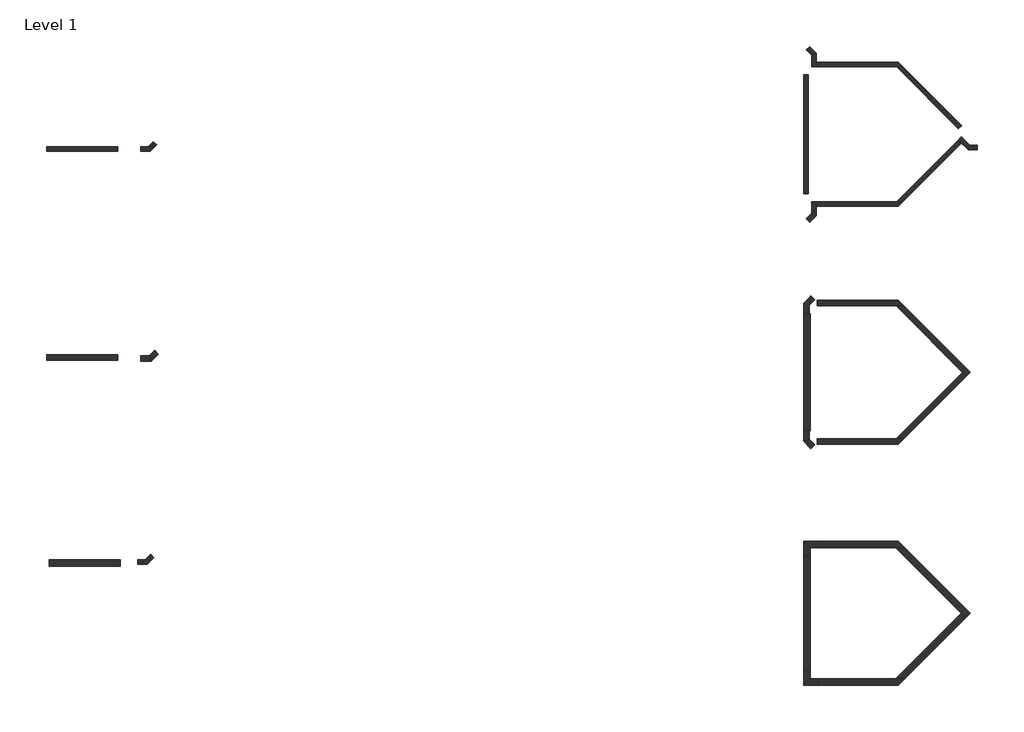
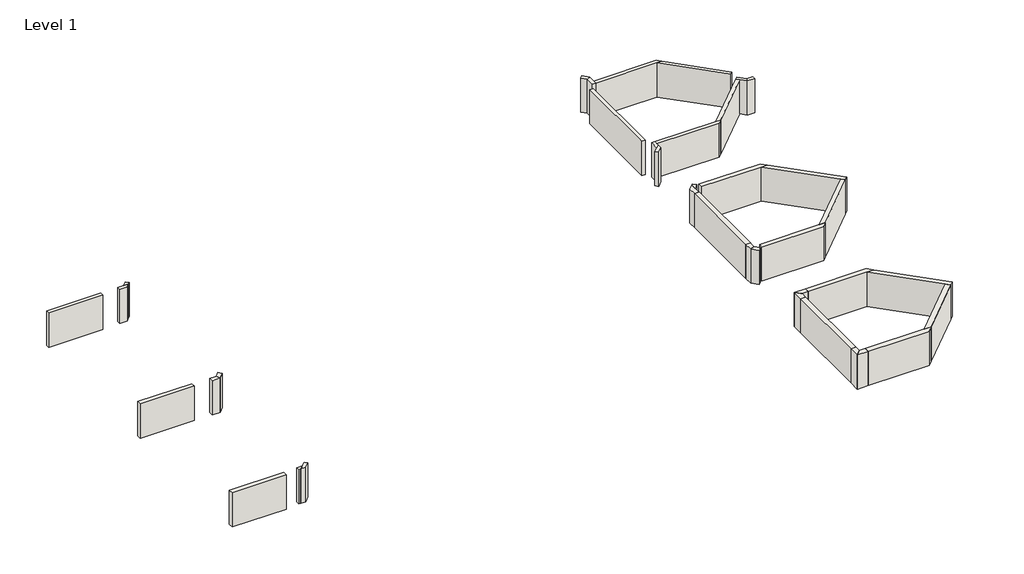
# One storey: 38 walls.
"""IFC4 building model written with IfcOpenShell, lengths in millimetres."""

from ifc_helpers import new_model, si_unit, origin, origin_with_axes, place, context, project, spatial, polyline, outline, extrude, faceted_brep, element, save

model = new_model("IFC4")

# Units and contexts
model_context = context("Model", 3, world=origin())
ifc_project = project(units=[si_unit("LENGTHUNIT", "METRE", prefix="MILLI")], contexts=[model_context])

# Site, building, storey
site = spatial("IfcSite", under=ifc_project)
building = spatial("IfcBuilding", under=site)
storey = spatial("IfcBuildingStorey", under=building, Name="Level 1", Elevation=0.0)

# Walls
placement = place(None, origin())
element("IfcWall", 1, at=placement, inside=storey, context=model_context, shape_type="Brep", body=[
    faceted_brep([(27470.1298824, 2909.1367059, 0.0), (23257.4327455, 2909.1367059, 0.0), (23257.4327455, 2909.1367059, 2438.4), (27470.1298824, 2909.1367059, 2438.4), (27698.7298824, 2680.5367059, 0.0), (27698.7298824, 2680.5367059, 2438.4), (27375.440662, 2680.5367059, 2438.4), (23259.4063902, 2680.5367059, 2438.4), (23259.4063902, 2680.5367059, 0.0), (27375.440662, 2680.5367059, 0.0)], [[[0, 1, 2, 3]], [[4, 5, 6, 7, 8, 9]], [[1, 0, 4, 9, 8]], [[3, 2, 7, 6, 5]], [[0, 3, 5, 4]], [[2, 1, 8, 7]]]),
])
element("IfcWall", 2, at=placement, inside=storey, context=model_context, shape_type="SweptSolid", body=[
    extrude(outline(polyline([(23025.5336034, 3290.277398), (22753.2788691, 3562.5321323), (22914.9234793, 3724.1767425), (23253.3175674, 3385.7826544), (23025.5336034, 3290.277398)])), origin_with_axes(), (0.0, 0.0, 1.0), 2438.4),
])
element("IfcWall", 3, at=placement, inside=storey, context=model_context, shape_type="Brep", body=[
    faceted_brep([(23025.5336034, 3290.277398, 0.0), (23030.7978705, 2680.5367059, 0.0), (23030.7978705, 2680.5367059, 2438.4), (23025.5336034, 3290.277398, 2438.4), (23253.3175674, 3385.7826544, 0.0), (23253.3175674, 3385.7826544, 2438.4), (23257.4327455, 2909.1367059, 2438.4), (23259.4063902, 2680.5367059, 2438.4), (23259.4063902, 2680.5367059, 0.0), (23257.4327455, 2909.1367059, 0.0)], [[[0, 1, 2, 3]], [[4, 5, 6, 7, 8, 9]], [[1, 0, 4, 9, 8]], [[3, 2, 7, 6, 5]], [[2, 1, 8, 7]], [[0, 3, 5, 4]]]),
])
element("IfcWall", 4, at=placement, inside=storey, context=model_context, shape_type="SweptSolid", body=[
    extrude(outline(polyline([(22618.7298824, -3821.8632941), (22618.7298824, 2274.1367059), (22847.3298824, 2274.1367059), (22847.3298824, -3821.8632941), (22618.7298824, -3821.8632941)])), origin_with_axes(), (0.0, 0.0, 1.0), 2438.4),
])
element("IfcWall", 5, at=placement, inside=storey, context=model_context, shape_type="Brep", body=[
    faceted_brep([(22914.9234793, -5271.9033307, 0.0), (23253.3175674, -4933.5092426, 0.0), (23253.3175674, -4933.5092426, 2438.4), (22914.9234793, -5271.9033307, 2438.4), (22753.2788691, -5110.2587205, 0.0), (22753.2788691, -5110.2587205, 2438.4), (23025.5336034, -4838.0039863, 2438.4), (23256.13303, -4607.4045597, 2438.4), (23256.13303, -4607.4045597, 0.0), (23025.5336034, -4838.0039863, 0.0)], [[[0, 1, 2, 3]], [[4, 5, 6, 7, 8, 9]], [[1, 0, 4, 9, 8]], [[3, 2, 7, 6, 5]], [[0, 3, 5, 4]], [[2, 1, 8, 7]]]),
])
element("IfcWall", 6, at=placement, inside=storey, context=model_context, shape_type="Brep", body=[
    faceted_brep([(23256.13303, -4607.4045597, 0.0), (23257.4327455, -4456.8632941, 0.0), (23259.4063902, -4228.2632941, 0.0), (23259.4063902, -4228.2632941, 2438.4), (23257.4327455, -4456.8632941, 2438.4), (23256.13303, -4607.4045597, 2438.4), (23025.5336034, -4838.0039863, 0.0), (23025.5336034, -4838.0039863, 2438.4), (23030.7978705, -4228.2632941, 2438.4), (23030.7978705, -4228.2632941, 0.0)], [[[0, 1, 2, 3, 4, 5]], [[6, 7, 8, 9]], [[2, 1, 0, 6, 9]], [[5, 4, 3, 8, 7]], [[3, 2, 9, 8]], [[0, 5, 7, 6]]]),
])
element("IfcWall", 7, at=placement, inside=storey, context=model_context, shape_type="Brep", body=[
    faceted_brep([(23257.4327455, -4456.8632941, 0.0), (27470.1298824, -4456.8632941, 0.0), (27470.1298824, -4456.8632941, 2438.4), (23257.4327455, -4456.8632941, 2438.4), (23259.4063902, -4228.2632941, 0.0), (23259.4063902, -4228.2632941, 2438.4), (27375.440662, -4228.2632941, 2438.4), (27698.7298824, -4228.2632941, 2438.4), (27698.7298824, -4228.2632941, 0.0), (27375.440662, -4228.2632941, 0.0)], [[[0, 1, 2, 3]], [[4, 5, 6, 7, 8, 9]], [[1, 0, 4, 9, 8]], [[3, 2, 7, 6, 5]], [[2, 1, 8, 7]], [[0, 3, 5, 4]]]),
])
element("IfcWall", 8, at=placement, inside=storey, context=model_context, shape_type="SweptSolid", body=[
    extrude(outline(polyline([(30701.4987566, -1225.4944198), (27698.7298824, -4228.2632941), (27375.440662, -4228.2632941), (30538.458569, -1065.2453872), (30701.4987566, -1225.4944198)])), origin_with_axes(), (0.0, 0.0, 1.0), 2438.4),
])
element("IfcWall", 9, at=placement, inside=storey, context=model_context, shape_type="SweptSolid", body=[
    extrude(outline(polyline([(30542.4724661, -486.4950982), (27375.440662, 2680.5367059), (27698.7298824, 2680.5367059), (30704.1170763, -324.8504881), (30542.4724661, -486.4950982)])), origin_with_axes(), (0.0, 0.0, 1.0), 2438.4),
])
element("IfcWall", 10, at=placement, inside=storey, context=model_context, shape_type="SweptSolid", body=[
    extrude(outline(polyline([(31134.9833806, -1331.0241319), (31520.0097182, -1331.0241319), (31520.0097182, -1559.6241319), (31041.4482094, -1559.6241319), (31134.9833806, -1331.0241319)])), origin_with_axes(), (0.0, 0.0, 1.0), 2438.4),
])
element("IfcWall", 11, at=placement, inside=storey, context=model_context, shape_type="Brep", body=[
    faceted_brep([(31134.9833806, -1331.0241319, 0.0), (30700.1092035, -903.5947526, 0.0), (30700.1092035, -903.5947526, 2438.4), (31134.9833806, -1331.0241319, 2438.4), (31041.4482094, -1559.6241319, 0.0), (31041.4482094, -1559.6241319, 2438.4), (30701.4987566, -1225.4944198, 2438.4), (30538.458569, -1065.2453872, 2438.4), (30538.458569, -1065.2453872, 0.0), (30701.4987566, -1225.4944198, 0.0)], [[[0, 1, 2, 3]], [[4, 5, 6, 7, 8, 9]], [[1, 0, 4, 9, 8]], [[3, 2, 7, 6, 5]], [[2, 1, 8, 7]], [[0, 3, 5, 4]]]),
])
element("IfcWall", 12, at=placement, inside=storey, context=model_context, shape_type="Brep", body=[
    faceted_brep([(27466.8780889, -9279.6115007, 0.0), (23305.3879591, -9279.6115007, 0.0), (23305.3879591, -9279.6115007, 2438.4), (27466.8780889, -9279.6115007, 2438.4), (27746.2780889, -9559.0115007, 0.0), (27746.2780889, -9559.0115007, 2438.4), (27351.1468196, -9559.0115007, 2438.4), (23305.3879591, -9559.0115007, 2438.4), (23305.3879591, -9559.0115007, 0.0), (27351.1468196, -9559.0115007, 0.0)], [[[0, 1, 2, 3]], [[4, 5, 6, 7, 8, 9]], [[1, 0, 4, 9, 8]], [[2, 1, 8, 7]], [[3, 2, 7, 6, 5]], [[0, 3, 5, 4]]]),
])
element("IfcWall", 13, at=placement, inside=storey, context=model_context, shape_type="Brep", body=[
    faceted_brep([(22618.7298824, -9965.4115007, 0.0), (22618.7298824, -15966.3150876, 0.0), (22618.7298824, -15966.3150876, 2438.4), (22618.7298824, -9965.4115007, 2438.4), (22948.9298824, -9965.4115007, 0.0), (22948.9298824, -9965.4115007, 2438.4), (22948.9298824, -15966.3150876, 2438.4), (22948.9298824, -15966.3150876, 0.0), (22619.5879591, -9965.4115007, 0.0), (22898.9879591, -9965.4115007, 0.0), (22898.9879591, -15966.3150876, 0.0), (22619.5879591, -15966.3150876, 0.0), (22898.9879591, -15966.3150876, 2438.4), (22619.5879591, -15966.3150876, 2438.4), (22898.9879591, -9965.4115007, 2438.4), (22619.5879591, -9965.4115007, 2438.4)], [[[0, 1, 2, 3]], [[4, 5, 6, 7]], [[1, 0, 8, 9, 4, 7, 10, 11]], [[2, 1, 11, 10, 7, 6, 12, 13]], [[3, 2, 13, 12, 6, 5, 14, 15]], [[0, 3, 15, 14, 5, 4, 9, 8]]]),
])
element("IfcWall", 14, at=placement, inside=storey, context=model_context, shape_type="Brep", body=[
    faceted_brep([(23305.3879591, -16652.1150876, 0.0), (27466.8780889, -16652.1150876, 0.0), (27466.8780889, -16652.1150876, 2438.4), (23305.3879591, -16652.1150876, 2438.4), (23305.3879591, -16372.7150876, 0.0), (23305.3879591, -16372.7150876, 2438.4), (27351.1468196, -16372.7150876, 2438.4), (27746.2780889, -16372.7150876, 2438.4), (27746.2780889, -16372.7150876, 0.0), (27351.1468196, -16372.7150876, 0.0)], [[[0, 1, 2, 3]], [[4, 5, 6, 7, 8, 9]], [[1, 0, 4, 9, 8]], [[3, 2, 7, 6, 5]], [[0, 3, 5, 4]], [[2, 1, 8, 7]]]),
])
element("IfcWall", 15, at=placement, inside=storey, context=model_context, shape_type="SweptSolid", body=[
    extrude(outline(polyline([(30955.5642477, -13163.4289288), (27746.2780889, -16372.7150876), (27351.1468196, -16372.7150876), (30757.998613, -12965.8632941), (30955.5642477, -13163.4289288)])), origin_with_axes(), (0.0, 0.0, 1.0), 2438.4),
])
element("IfcWall", 16, at=placement, inside=storey, context=model_context, shape_type="Brep", body=[
    faceted_brep([(27351.1468196, -9559.0115007, 0.0), (30757.998613, -12965.8632941, 0.0), (30955.5642477, -13163.4289288, 0.0), (30955.5642477, -13163.4289288, 2438.4), (30757.998613, -12965.8632941, 2438.4), (27351.1468196, -9559.0115007, 2438.4), (27746.2780889, -9559.0115007, 0.0), (27746.2780889, -9559.0115007, 2438.4), (31153.1298824, -12965.8632941, 2438.4), (31153.1298824, -12965.8632941, 0.0)], [[[0, 1, 2, 3, 4, 5]], [[6, 7, 8, 9]], [[2, 1, 0, 6, 9]], [[5, 4, 3, 8, 7]], [[3, 2, 9, 8]], [[0, 5, 7, 6]]]),
])
element("IfcWall", 17, at=placement, inside=storey, context=model_context, shape_type="SweptSolid", body=[
    extrude(outline(polyline([(-12524.6265647, -12357.1757609), (-16182.2265647, -12357.1757609), (-16182.2265647, -12077.7757609), (-12524.6265647, -12077.7757609), (-12524.6265647, -12357.1757609)])), origin_with_axes(), (0.0, 0.0, 1.0), 2438.4),
])
element("IfcWall", 18, at=placement, inside=storey, context=model_context, shape_type="Brep", body=[
    faceted_brep([(27470.1298824, -21627.2632941, 0.0), (23356.1879591, -21627.2632941, 0.0), (23356.1879591, -21627.2632941, 2438.4), (27470.1298824, -21627.2632941, 2438.4), (27800.3298824, -21957.4632941, 0.0), (27800.3298824, -21957.4632941, 2438.4), (27333.3565641, -21957.4632941, 2438.4), (23356.1879591, -21957.4632941, 2438.4), (23356.1879591, -21957.4632941, 0.0), (27333.3565641, -21957.4632941, 0.0)], [[[0, 1, 2, 3]], [[4, 5, 6, 7, 8, 9]], [[1, 0, 4, 9, 8]], [[2, 1, 8, 7]], [[3, 2, 7, 6, 5]], [[0, 3, 5, 4]]]),
])
element("IfcWall", 19, at=placement, inside=storey, context=model_context, shape_type="SweptSolid", body=[
    extrude(outline(polyline([(22619.5879591, -28256.6632941), (22619.5879591, -22363.8632941), (22949.7879591, -22363.8632941), (22949.7879591, -28256.6632941), (22619.5879591, -28256.6632941)])), origin_with_axes(), (0.0, 0.0, 1.0), 2438.4),
])
element("IfcWall", 20, at=placement, inside=storey, context=model_context, shape_type="Brep", body=[
    faceted_brep([(23356.1879591, -28993.2632941, 0.0), (27470.1298824, -28993.2632941, 0.0), (27470.1298824, -28993.2632941, 2438.4), (23356.1879591, -28993.2632941, 2438.4), (23356.1879591, -28663.0632941, 0.0), (23356.1879591, -28663.0632941, 2438.4), (27333.3565641, -28663.0632941, 2438.4), (27800.3298824, -28663.0632941, 2438.4), (27800.3298824, -28663.0632941, 0.0), (27333.3565641, -28663.0632941, 0.0)], [[[0, 1, 2, 3]], [[4, 5, 6, 7, 8, 9]], [[1, 0, 4, 9, 8]], [[3, 2, 7, 6, 5]], [[0, 3, 5, 4]], [[2, 1, 8, 7]]]),
])
element("IfcWall", 21, at=placement, inside=storey, context=model_context, shape_type="SweptSolid", body=[
    extrude(outline(polyline([(30919.6432232, -25543.7499533), (27800.3298824, -28663.0632941), (27333.3565641, -28663.0632941), (30686.1565641, -25310.2632941), (30919.6432232, -25543.7499533)])), origin_with_axes(), (0.0, 0.0, 1.0), 2438.4),
])
element("IfcWall", 22, at=placement, inside=storey, context=model_context, shape_type="Brep", body=[
    faceted_brep([(27333.3565641, -21957.4632941, 0.0), (30686.1565641, -25310.2632941, 0.0), (30919.6432232, -25543.7499533, 0.0), (30919.6432232, -25543.7499533, 2438.4), (30686.1565641, -25310.2632941, 2438.4), (27333.3565641, -21957.4632941, 2438.4), (27800.3298824, -21957.4632941, 0.0), (27800.3298824, -21957.4632941, 2438.4), (31153.1298824, -25310.2632941, 2438.4), (31153.1298824, -25310.2632941, 0.0)], [[[0, 1, 2, 3, 4, 5]], [[6, 7, 8, 9]], [[2, 1, 0, 6, 9]], [[5, 4, 3, 8, 7]], [[3, 2, 9, 8]], [[0, 5, 7, 6]]]),
])
element("IfcWall", 23, at=placement, inside=storey, context=model_context, shape_type="SweptSolid", body=[
    extrude(outline(polyline([(-12396.060528, -22898.0466891), (-16053.660528, -22898.0466891), (-16053.660528, -22567.8466891), (-12396.060528, -22567.8466891), (-12396.060528, -22898.0466891)])), origin_with_axes(), (0.0, 0.0, 1.0), 2438.4),
])
element("IfcWall", 24, at=placement, inside=storey, context=model_context, shape_type="Brep", body=[
    faceted_brep([(22898.9879591, -9965.4115007, 0.0), (22898.9879591, -9535.04277, 0.0), (22898.9879591, -9139.9115007, 0.0), (22898.9879591, -9139.9115007, 2438.4), (22898.9879591, -9535.04277, 2438.4), (22898.9879591, -9965.4115007, 2438.4), (22619.5879591, -9965.4115007, 0.0), (22619.5879591, -9965.4115007, 2438.4), (22619.5879591, -9419.3115007, 2438.4), (22619.5879591, -9419.3115007, 0.0)], [[[0, 1, 2, 3, 4, 5]], [[6, 7, 8, 9]], [[2, 1, 0, 6, 9]], [[5, 4, 3, 8, 7]], [[0, 5, 7, 6]], [[3, 2, 9, 8]]]),
])
element("IfcWall", 25, at=placement, inside=storey, context=model_context, shape_type="SweptSolid", body=[
    extrude(outline(polyline([(23181.3599968, -9252.6707323), (22898.9879591, -9535.04277), (22898.9879591, -9139.9115007), (22983.7943621, -9055.1050976), (23181.3599968, -9252.6707323)])), origin_with_axes(), (0.0, 0.0, 1.0), 2438.4),
])
element("IfcWall", 26, at=placement, inside=storey, context=model_context, shape_type="SweptSolid", body=[
    extrude(outline(polyline([(22619.5879591, -16512.4150876), (22619.5879591, -15966.3150876), (22898.9879591, -15966.3150876), (22898.9879591, -16396.6838182), (22619.5879591, -16512.4150876)])), origin_with_axes(), (0.0, 0.0, 1.0), 2438.4),
])
element("IfcWall", 27, at=placement, inside=storey, context=model_context, shape_type="SweptSolid", body=[
    extrude(outline(polyline([(22983.7943621, -16876.6214906), (22619.5879591, -16512.4150876), (22898.9879591, -16396.6838182), (23181.3599968, -16679.0558559), (22983.7943621, -16876.6214906)])), origin_with_axes(), (0.0, 0.0, 1.0), 2438.4),
])
element("IfcWall", 28, at=placement, inside=storey, context=model_context, shape_type="SweptSolid", body=[
    extrude(outline(polyline([(22949.7879591, -28663.0632941), (23356.1879591, -28663.0632941), (23356.1879591, -28993.2632941), (22619.5879591, -28993.2632941), (22949.7879591, -28663.0632941)])), origin_with_axes(), (0.0, 0.0, 1.0), 2438.4),
])
element("IfcWall", 29, at=placement, inside=storey, context=model_context, shape_type="SweptSolid", body=[
    extrude(outline(polyline([(22949.7879591, -28256.6632941), (22949.7879591, -28663.0632941), (22619.5879591, -28993.2632941), (22619.5879591, -28256.6632941), (22949.7879591, -28256.6632941)])), origin_with_axes(), (0.0, 0.0, 1.0), 2438.4),
])
element("IfcWall", 30, at=placement, inside=storey, context=model_context, shape_type="SweptSolid", body=[
    extrude(outline(polyline([(22619.5879591, -21627.2632941), (23356.1879591, -21627.2632941), (23356.1879591, -21957.4632941), (22949.7879591, -21957.4632941), (22619.5879591, -21627.2632941)])), origin_with_axes(), (0.0, 0.0, 1.0), 2438.4),
])
element("IfcWall", 31, at=placement, inside=storey, context=model_context, shape_type="SweptSolid", body=[
    extrude(outline(polyline([(22619.5879591, -22363.8632941), (22619.5879591, -21627.2632941), (22949.7879591, -21957.4632941), (22949.7879591, -22363.8632941), (22619.5879591, -22363.8632941)])), origin_with_axes(), (0.0, 0.0, 1.0), 2438.4),
])
element("IfcWall", 32, at=placement, inside=storey, context=model_context, shape_type="SweptSolid", body=[
    extrude(outline(polyline([(-12524.6265647, -1644.7366805), (-16182.2265647, -1644.7366805), (-16182.2265647, -1416.1366805), (-12524.6265647, -1416.1366805), (-12524.6265647, -1644.7366805)])), origin_with_axes(), (0.0, 0.0, 1.0), 2438.4),
])
element("IfcWall", 33, at=placement, inside=storey, context=model_context, shape_type="SweptSolid", body=[
    extrude(outline(polyline([(-10975.9439493, -1416.5404016), (-10703.689215, -1144.2856673), (-10542.0446048, -1305.9302775), (-10649.8392663, -1413.724939), (-10975.9439493, -1416.5404016)])), origin_with_axes(), (0.0, 0.0, 1.0), 2438.4),
])
element("IfcWall", 34, at=placement, inside=storey, context=model_context, shape_type="Brep", body=[
    faceted_brep([(-10649.8392663, -1413.724939, 0.0), (-10975.9439493, -1416.5404016, 0.0), (-11361.953097, -1419.8730564, 0.0), (-11361.953097, -1419.8730564, 2438.4), (-10975.9439493, -1416.5404016, 2438.4), (-10649.8392663, -1413.724939, 2438.4), (-10880.4386929, -1644.3243656, 0.0), (-10880.4386929, -1644.3243656, 2438.4), (-11359.9795259, -1648.464537, 2438.4), (-11359.9795259, -1648.464537, 0.0)], [[[0, 1, 2, 3, 4, 5]], [[6, 7, 8, 9]], [[2, 1, 0, 6, 9]], [[3, 2, 9, 8]], [[5, 4, 3, 8, 7]], [[0, 5, 7, 6]]]),
])
element("IfcWall", 35, at=placement, inside=storey, context=model_context, shape_type="Brep", body=[
    faceted_brep([(-10849.8850431, -22301.6467622, 0.0), (-11124.4800864, -22571.5408949, 0.0), (-11357.0617518, -22800.1408949, 0.0), (-11357.0617518, -22800.1408949, 2438.4), (-11124.4800864, -22571.5408949, 2438.4), (-10849.8850431, -22301.6467622, 2438.4), (-10689.6419826, -22464.6808737, 0.0), (-10689.6419826, -22464.6808737, 2438.4), (-11030.9449153, -22800.1408949, 2438.4), (-11030.9449153, -22800.1408949, 0.0)], [[[0, 1, 2, 3, 4, 5]], [[6, 7, 8, 9]], [[2, 1, 0, 6, 9]], [[5, 4, 3, 8, 7]], [[0, 5, 7, 6]], [[3, 2, 9, 8]]]),
])
element("IfcWall", 36, at=placement, inside=storey, context=model_context, shape_type="SweptSolid", body=[
    extrude(outline(polyline([(-11510.5036202, -22571.5408949), (-11124.4800864, -22571.5408949), (-11357.0617518, -22800.1408949), (-11510.5036202, -22800.1408949), (-11510.5036202, -22571.5408949)])), origin_with_axes(), (0.0, 0.0, 1.0), 2438.4),
])
element("IfcWall", 37, at=placement, inside=storey, context=model_context, shape_type="SweptSolid", body=[
    extrude(outline(polyline([(-10810.9846414, -12411.2275543), (-11357.0846414, -12411.2275543), (-11357.0846414, -12131.8275543), (-10926.7159108, -12131.8275543), (-10810.9846414, -12411.2275543)])), origin_with_axes(), (0.0, 0.0, 1.0), 2438.4),
])
element("IfcWall", 38, at=placement, inside=storey, context=model_context, shape_type="SweptSolid", body=[
    extrude(outline(polyline([(-10446.7782384, -12047.0211513), (-10810.9846414, -12411.2275543), (-10926.7159108, -12131.8275543), (-10644.3438731, -11849.4555166), (-10446.7782384, -12047.0211513)])), origin_with_axes(), (0.0, 0.0, 1.0), 2438.4),
])

save(model, "model.ifc")
